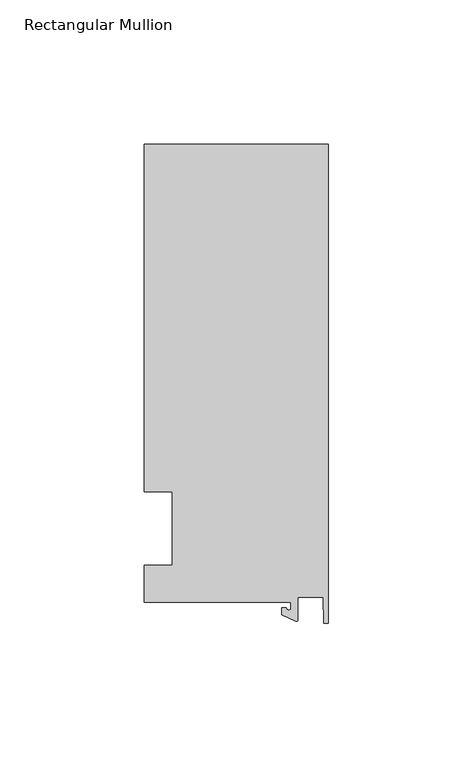
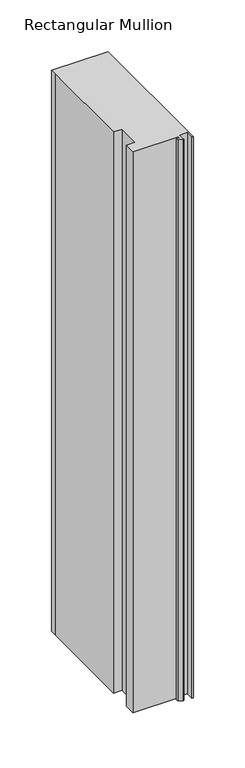
"""IFC4 building model written with IfcOpenShell, lengths in millimetres: member geometry, Rectangular Mullion."""

import ifcopenshell
import ifcopenshell.guid

model = None  # the IFC model being written
_history = None  # IfcOwnerHistory: only IFC2X3 demands one
_inside = {}  # id of a spatial element -> (the spatial element, [elements in it])
_under = {}  # id of a project, library or spatial element -> (it, [spatial elements below it])
_declared = {}  # id of a project -> (the project, [libraries it declares])
_typed = {}  # id of a type object -> (the type object, [elements of that type])
_made_of = {}  # id of a material, layer set ... -> (it, [elements and type objects made of it])


def new_model(schema):
    """Start an empty IFC model of exactly this schema.

    Asked for "IFC4X3", IfcOpenShell would pick the latest addendum, in which some entities
    have other attributes; the version numbers below select the first issue.
    IFC2X3 requires an IfcOwnerHistory on every rooted entity: one is made here for all.
    """
    global model, _history
    if schema == "IFC4X3":
        model = ifcopenshell.file(schema_version=(4, 3, 0, 0))
    else:
        model = ifcopenshell.file(schema=schema)
    _inside.clear()
    _under.clear()
    _declared.clear()
    _typed.clear()
    _made_of.clear()
    _history = None
    if model.schema == "IFC2X3":
        org = make("IfcOrganization", Name="unknown")
        user = make(
            "IfcPersonAndOrganization",
            ThePerson=make("IfcPerson", FamilyName="unknown"),
            TheOrganization=org,
        )
        app = make(
            "IfcApplication",
            ApplicationDeveloper=org,
            Version="unknown",
            ApplicationFullName="unknown",
            ApplicationIdentifier="unknown",
        )
        _history = make(
            "IfcOwnerHistory",
            OwningUser=user,
            OwningApplication=app,
            ChangeAction="ADDED",
            CreationDate=0,
        )
    return model


def make(cls, **values):
    """One entity of the class cls with the attributes given. An attribute that is None is left unset."""
    return model.create_entity(
        cls, **{name: value for name, value in values.items() if value is not None}
    )


def rooted(cls, **values):
    """An entity with a GlobalId (a new one), such as an element, a storey or a relation."""
    return make(cls, GlobalId=ifcopenshell.guid.new(), OwnerHistory=_history, **values)


def si_unit(unit_type, name, prefix=None):
    """IfcSIUnit, for example si_unit("LENGTHUNIT", "METRE", prefix="MILLI")."""
    return make("IfcSIUnit", UnitType=unit_type, Prefix=prefix, Name=name)


def assignment(units):
    """IfcUnitAssignment: the units of a project."""
    return None if units is None else make("IfcUnitAssignment", Units=units)


def point(xyz):
    """IfcCartesianPoint."""
    return None if xyz is None else make("IfcCartesianPoint", Coordinates=xyz)


def direction(xyz):
    """IfcDirection."""
    return None if xyz is None else make("IfcDirection", DirectionRatios=xyz)


def frame(location, z_axis=None, x_axis=None):
    """IfcAxis2Placement3D, a coordinate frame: its origin and axes. An axis left out is left unset."""
    return make(
        "IfcAxis2Placement3D",
        Location=point(location),
        Axis=direction(z_axis),
        RefDirection=direction(x_axis),
    )


def frame_2d(location, x_axis=None):
    """IfcAxis2Placement2D, a coordinate frame in the plane: its origin and x axis."""
    return make(
        "IfcAxis2Placement2D", Location=point(location), RefDirection=direction(x_axis)
    )


def origin():
    """The frame at (0, 0, 0) with its axes left unset."""
    return frame((0.0, 0.0, 0.0))


def place(relative_to, where):
    """IfcLocalPlacement: puts the frame where relative to a parent placement (None: the world)."""
    return make(
        "IfcLocalPlacement", PlacementRelTo=relative_to, RelativePlacement=where
    )


def context(
    kind, dimensions, precision=None, world=None, true_north=None, identifier=None
):
    """IfcGeometricRepresentationContext, for example the 3D "Model" context."""
    return make(
        "IfcGeometricRepresentationContext",
        ContextIdentifier=identifier,
        ContextType=kind,
        CoordinateSpaceDimension=dimensions,
        Precision=precision,
        WorldCoordinateSystem=world,
        TrueNorth=true_north,
    )


def project(units=None, contexts=None):
    """IfcProject with its units and contexts."""
    return rooted(
        "IfcProject",
        Name="project",
        RepresentationContexts=contexts,
        UnitsInContext=assignment(units),
    )


def spatial(cls, under=None, at=None, **own):
    """A site, building, storey or space (cls), placed at a placement, below another one or the project."""
    s = rooted(cls, ObjectPlacement=at, **own)
    if under is not None:
        _under.setdefault(under.id(), (under, []))[1].append(s)
    return s


def polyline(points):
    """IfcPolyline through the points."""
    return make("IfcPolyline", Points=[point(p) for p in points])


def circle_curve(where, radius):
    """IfcCircle in the frame where."""
    return make("IfcCircle", Position=where, Radius=radius)


def trimmed(basis, trim1, trim2, sense, master):
    """IfcTrimmedCurve: the piece of a basis curve between two trims."""
    return make(
        "IfcTrimmedCurve",
        BasisCurve=basis,
        Trim1=trim1,
        Trim2=trim2,
        SenseAgreement=sense,
        MasterRepresentation=master,
    )


def segment(curve, same_sense, transition):
    """IfcCompositeCurveSegment."""
    return make(
        "IfcCompositeCurveSegment",
        Transition=transition,
        SameSense=same_sense,
        ParentCurve=curve,
    )


def composite_curve(segments, self_intersect=None):
    """IfcCompositeCurve: segments joined end to end."""
    return make("IfcCompositeCurve", Segments=segments, SelfIntersect=self_intersect)


def outline(outer, holes=None, kind="AREA"):
    """IfcArbitraryClosedProfileDef: a profile drawn as a closed curve; with holes, ...WithVoids."""
    if holes is None:
        return make("IfcArbitraryClosedProfileDef", ProfileType=kind, OuterCurve=outer)
    return make(
        "IfcArbitraryProfileDefWithVoids",
        ProfileType=kind,
        OuterCurve=outer,
        InnerCurves=holes,
    )


def extrude(swept, where, along, depth):
    """IfcExtrudedAreaSolid: the profile swept, set in the frame where, extruded along a direction by depth."""
    return make(
        "IfcExtrudedAreaSolid",
        SweptArea=swept,
        Position=where,
        ExtrudedDirection=direction(along),
        Depth=depth,
    )


def shape(context_of_items, identifier, shape_type, items):
    """IfcShapeRepresentation: the items that make up one representation, for example the "Body"."""
    return make(
        "IfcShapeRepresentation",
        ContextOfItems=context_of_items,
        RepresentationIdentifier=identifier,
        RepresentationType=shape_type,
        Items=items,
    )


def source(mapping_origin, context_of_items, identifier, shape_type, items):
    """IfcRepresentationMap: a shape defined once, which mapped items show again and again."""
    return make(
        "IfcRepresentationMap",
        MappingOrigin=mapping_origin,
        MappedRepresentation=shape(context_of_items, identifier, shape_type, items),
    )


def transform(
    local_origin,
    x_axis=None,
    y_axis=None,
    z_axis=None,
    scale=None,
    scale2=None,
    scale3=None,
    uniform=True,
):
    """IfcCartesianTransformationOperator3D, or its non-uniform kind. x_axis, y_axis, z_axis: its Axis1, 2, 3."""
    if uniform:
        return make(
            "IfcCartesianTransformationOperator3D",
            Axis1=direction(x_axis),
            Axis2=direction(y_axis),
            LocalOrigin=point(local_origin),
            Scale=scale,
            Axis3=direction(z_axis),
        )
    return make(
        "IfcCartesianTransformationOperator3DnonUniform",
        Axis1=direction(x_axis),
        Axis2=direction(y_axis),
        LocalOrigin=point(local_origin),
        Scale=scale,
        Axis3=direction(z_axis),
        Scale2=scale2,
        Scale3=scale3,
    )


def mapped(mapping_source, mapping_target):
    """IfcMappedItem: shows the shape of a source again, moved by a transform."""
    return make(
        "IfcMappedItem", MappingSource=mapping_source, MappingTarget=mapping_target
    )


def made_of(thing, what):
    """Note that an element or type object is made of a material, layer set ...; save() writes the relation."""
    if what is not None:
        _made_of.setdefault(what.id(), (what, []))[1].append(thing)
    return thing


def element(
    cls,
    number,
    at=None,
    inside=None,
    cuts=None,
    type_object=None,
    material=None,
    context=None,
    identifier="Body",
    shape_type=None,
    held_by="IfcProductDefinitionShape",
    body=None,
    shapes=None,
    **own,
):
    """One element of the class cls, such as IfcWall. Its Tag is "e" and its number.

    at: its placement. inside: the storey or other place that contains it. cuts: it is an
    opening in that element (IfcRelVoidsElement). A single representation is given by context,
    identifier, shape_type and body (its items); several are given by shapes. held_by: the class
    of the entity that holds the representations. save() writes the other relations.
    """
    e = rooted(cls, Tag="e%d" % number, ObjectPlacement=at, **own)
    if body is not None:
        shapes = [shape(context, identifier, shape_type, body)]
    if shapes is not None:
        e.Representation = make(held_by, Representations=shapes)
    if inside is not None:
        _inside.setdefault(inside.id(), (inside, []))[1].append(e)
    if cuts is not None:
        rooted(
            "IfcRelVoidsElement", RelatingBuildingElement=cuts, RelatedOpeningElement=e
        )
    if type_object is not None:
        _typed.setdefault(type_object.id(), (type_object, []))[1].append(e)
    return made_of(e, material)


def aggregate(whole, parts):
    """IfcRelAggregates: a whole, such as a stair, and the parts it consists of."""
    return rooted("IfcRelAggregates", RelatingObject=whole, RelatedObjects=parts)


def save(model, path):
    """Write the relations noted so far, then the file.

    IfcRelAggregates (storeys below a building ...), IfcRelContainedInSpatialStructure (elements
    in a storey), IfcRelDefinesByType, IfcRelAssociatesMaterial and IfcRelDeclares: one each for
    every whole, place, type object, material and project.
    """
    for whole, parts in _under.values():
        aggregate(whole, parts)
    for where, things in _inside.values():
        rooted(
            "IfcRelContainedInSpatialStructure",
            RelatedElements=things,
            RelatingStructure=where,
        )
    for kind, things in _typed.values():
        rooted("IfcRelDefinesByType", RelatedObjects=things, RelatingType=kind)
    for what, things in _made_of.values():
        rooted("IfcRelAssociatesMaterial", RelatedObjects=things, RelatingMaterial=what)
    for by, libraries in _declared.values():
        rooted("IfcRelDeclares", RelatingContext=by, RelatedDefinitions=libraries)
    model.write(path)


def rectangular_mullion_ebc5e828(model_context):
    return source(origin(), model_context, "Body", "SweptSolid", [
        extrude(outline(composite_curve([segment(polyline([(-12.8216721, -25.5984375), (-63.5, -25.5984375), (-63.5, -12.7), (-53.975, -12.7), (-53.975, 12.7), (-63.5, 12.7), (-63.5, 125.075512), (-63.5, 132.822512), (0.0, 132.822512), (0.0, -32.810012), (-1.5566453, -32.810012), (-1.7144124, -23.9227662), (-10.4340721, -23.9227662), (-10.4340721, -31.6795354)]), True, "CONTINUOUS"), segment(trimmed(circle_curve(frame_2d((-10.9420721, -31.6795354)), 0.508), [point((-10.4340721, -31.6795354))], [point((-11.1567622, -32.1399398))], False, "CARTESIAN"), True, "CONTINUOUS"), segment(polyline([(-11.1567622, -32.1399398), (-15.9966721, -29.8830527), (-15.9966721, -27.5208534), (-14.4091721, -27.5208534)]), True, "CONTINUOUS"), segment(trimmed(circle_curve(frame_2d((-13.6154221, -27.5208534)), 0.79375), [point((-14.4091721, -27.5208534))], [point((-12.8216721, -27.5208534))], True, "CARTESIAN"), True, "CONTINUOUS"), segment(polyline([(-12.8216721, -27.5208534), (-12.8216721, -25.5984375)]), True, "CONTINUOUS")], self_intersect=False)), frame((0.0, 0.0, -663.575), z_axis=(0.0, 0.0, 1.0), x_axis=(1.0, 0.0, 0.0)), (0.0, 0.0, 1.0), 663.575),
    ])


if __name__ == "__main__":
    model = new_model("IFC4")
    model_context = context("Model", 3, world=origin())
    ifc_project = project(units=[si_unit("LENGTHUNIT", "METRE", prefix="MILLI")], contexts=[model_context])
    site = spatial("IfcSite", under=ifc_project)
    building = spatial("IfcBuilding", under=site)
    placement = place(None, origin())
    rectangular_mullion_shape = rectangular_mullion_ebc5e828(model_context)
    element("IfcMember", 1, ObjectType="Rectangular Mullion", at=placement, inside=building, context=model_context, shape_type="MappedRepresentation", body=[
        mapped(rectangular_mullion_shape, transform((0.0, 0.0, 0.0), x_axis=(1.0, 0.0, 0.0), y_axis=(0.0, 1.0, 0.0), z_axis=(0.0, 0.0, 1.0))),
    ])
    save(model, "model.ifc")
